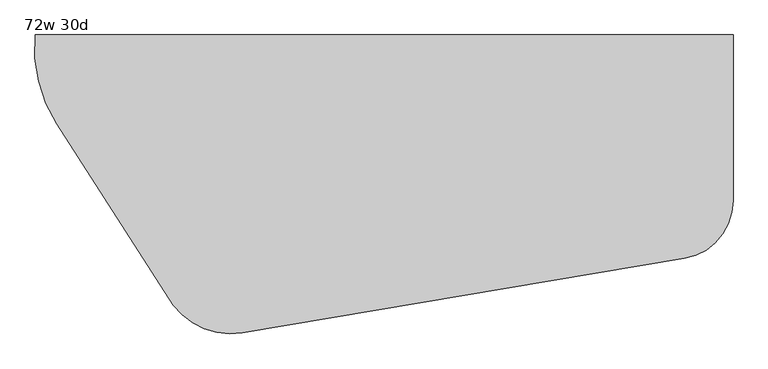
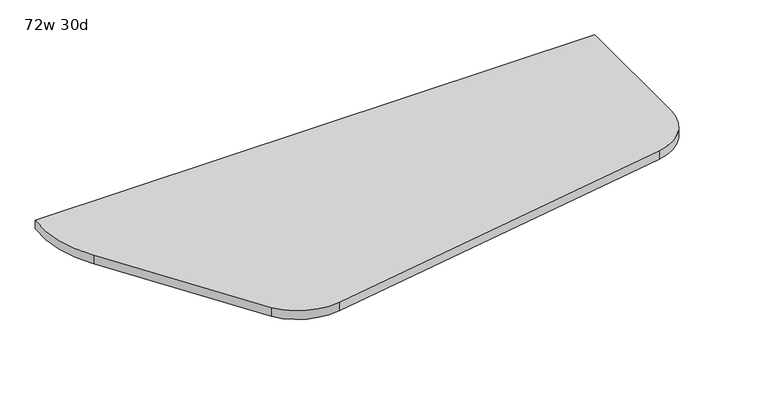
"""IFC4 building model written with IfcOpenShell, lengths in millimetres: furniture geometry, 72w 30d."""

from ifc_helpers import new_model, si_unit, point, frame, frame_2d, origin, place, context, project, spatial, polyline, circle_curve, trimmed, segment, composite_curve, outline, extrude, source, transform, mapped, element, save


def furniture_72w_30d_1985f334(model_context):
    return source(origin(), model_context, "Body", "SweptSolid", [
        extrude(outline(polyline([(-684.81575, -967.1356173), (-684.81575, -576.9108833), (-557.81575, -576.9108833), (-557.81575, -967.1356173), (-684.81575, -967.1356173)])), frame((0.0, 0.0, 679.45), z_axis=(0.0, 0.0, 1.0), x_axis=(1.0, 0.0, 0.0)), (0.0, 0.0, 1.0), 25.4),
        extrude(outline(composite_curve([segment(polyline([(914.4, -381.0), (914.4, -849.884)]), True, "CONTINUOUS"), segment(trimmed(circle_curve(frame_2d((749.0396851, -849.884)), 165.3603149), [point((914.4, -849.884))], [point((776.478, -1012.952))], False, "CARTESIAN"), True, "CONTINUOUS"), segment(polyline([(776.478, -1012.952), (-472.5664207, -1223.1199923)]), True, "CONTINUOUS"), segment(trimmed(circle_curve(frame_2d((-506.1821391, -1023.3392119)), 202.5891821), [point((-472.5664207, -1223.1199923))], [point((-667.766, -1145.54))], False, "CARTESIAN"), True, "CONTINUOUS"), segment(polyline([(-667.766, -1145.54), (-997.458, -632.46)]), True, "CONTINUOUS"), segment(trimmed(circle_curve(frame_2d((-663.7885516, -418.0526019)), 396.617994), [point((-997.458, -632.46))], [point((-1058.672, -381.0))], False, "CARTESIAN"), True, "CONTINUOUS"), segment(polyline([(-1058.672, -381.0), (914.4, -381.0)]), True, "CONTINUOUS")], self_intersect=False)), frame((0.0, 0.0, 704.85), z_axis=(0.0, 0.0, 1.0), x_axis=(1.0, 0.0, 0.0)), (0.0, 0.0, 1.0), 31.75),
    ])


if __name__ == "__main__":
    model = new_model("IFC4")
    model_context = context("Model", 3, world=origin())
    ifc_project = project(units=[si_unit("LENGTHUNIT", "METRE", prefix="MILLI")], contexts=[model_context])
    site = spatial("IfcSite", under=ifc_project)
    building = spatial("IfcBuilding", under=site)
    placement = place(None, origin())
    furniture_72w_30d_shape = furniture_72w_30d_1985f334(model_context)
    element("IfcFurniture", 1, ObjectType="72w 30d", at=placement, inside=building, context=model_context, shape_type="MappedRepresentation", body=[
        mapped(furniture_72w_30d_shape, transform((0.0, 0.0, 0.0), x_axis=(1.0, 0.0, 0.0), y_axis=(0.0, 1.0, 0.0), z_axis=(0.0, 0.0, 1.0))),
    ])
    save(model, "model.ifc")
